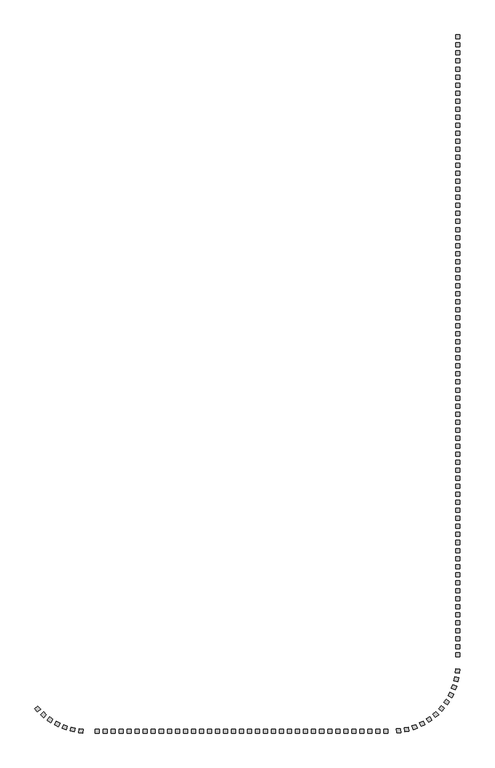
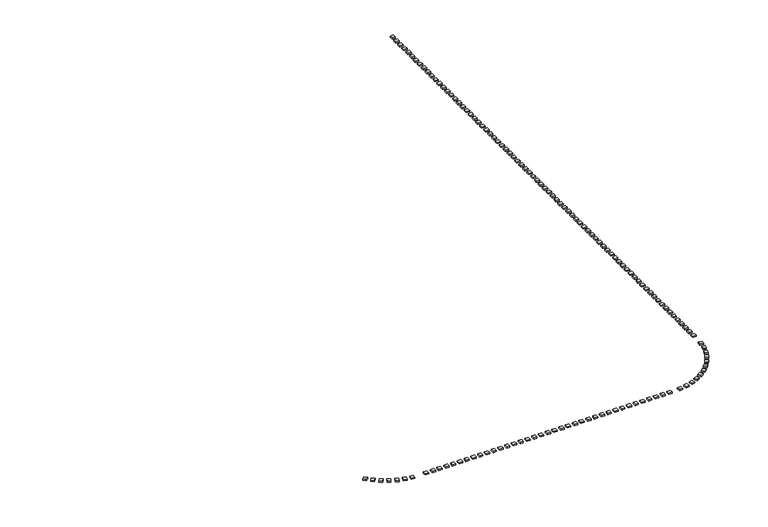
"""IFC4 building model written with IfcOpenShell, lengths in millimetres: railing geometry."""

from ifc_helpers import new_model, si_unit, origin, origin_with_axes, place, context, project, spatial, polyline, outline, extrude, source, transform, mapped, element, save


def railing_2f058ae3(model_context):
    return source(origin(), model_context, "Body", "SweptSolid", [
        extrude(outline(polyline([(-76155.2612553, -353702.5299212), (-75771.4895042, -353382.0314921), (-75450.9910751, -353765.8032432), (-75834.7628262, -354086.3016723), (-76155.2612553, -353702.5299212)])), origin_with_axes(), (0.0, 0.0, 1.0), 200.0),
        extrude(outline(polyline([(-75425.0709465, -354473.4120122), (-75084.2515665, -354107.5675778), (-74718.407132, -354448.3869578), (-75059.226512, -354814.2313922), (-75425.0709465, -354473.4120122)])), origin_with_axes(), (0.0, 0.0, 1.0), 200.0),
        extrude(outline(polyline([(-74604.4683063, -355147.2431426), (-74311.9196698, -354741.7615828), (-73906.43811, -355034.3102193), (-74198.9867465, -355439.7917791), (-74604.4683063, -355147.2431426)])), origin_with_axes(), (0.0, 0.0, 1.0), 200.0),
        extrude(outline(polyline([(-73706.2585644, -355713.5084029), (-73466.5457951, -355274.7171219), (-73027.7545142, -355514.4298912), (-73267.4672835, -355953.2211722), (-73706.2585644, -355713.5084029)])), origin_with_axes(), (0.0, 0.0, 1.0), 200.0),
        extrude(outline(polyline([(-72744.4579835, -356163.371413), (-72561.321719, -355698.1176021), (-72096.067908, -355881.2538666), (-72279.2041725, -356346.5076776), (-72744.4579835, -356163.371413)])), origin_with_axes(), (0.0, 0.0, 1.0), 200.0),
        extrude(outline(polyline([(-71734.0751399, -356489.8122113), (-71610.3731603, -356005.3560005), (-71125.9169494, -356129.0579801), (-71249.6189291, -356613.514191), (-71734.0751399, -356489.8122113)])), origin_with_axes(), (0.0, 0.0, 1.0), 200.0),
        extrude(outline(polyline([(-70690.87672, -356687.7367982), (-70628.5393533, -356191.6379646), (-70132.4405197, -356253.9753313), (-70194.7778864, -356750.0741649), (-70690.87672, -356687.7367982)])), origin_with_axes(), (0.0, 0.0, 1.0), 200.0),
        extrude(outline(polyline([(-68631.1414863, -356754.0566268), (-68631.1414863, -356254.0566268), (-68131.1414863, -356254.0566268), (-68131.1414863, -356754.0566268), (-68631.1414863, -356754.0566268)])), origin_with_axes(), (0.0, 0.0, 1.0), 200.0),
        extrude(outline(polyline([(-67631.1414863, -356754.0566268), (-67631.1414863, -356254.0566268), (-67131.1414863, -356254.0566268), (-67131.1414863, -356754.0566268), (-67631.1414863, -356754.0566268)])), origin_with_axes(), (0.0, 0.0, 1.0), 200.0),
        extrude(outline(polyline([(-66631.1414863, -356754.0566268), (-66631.1414863, -356254.0566268), (-66131.1414863, -356254.0566268), (-66131.1414863, -356754.0566268), (-66631.1414863, -356754.0566268)])), origin_with_axes(), (0.0, 0.0, 1.0), 200.0),
        extrude(outline(polyline([(-65631.1414863, -356754.0566268), (-65631.1414863, -356254.0566268), (-65131.1414863, -356254.0566268), (-65131.1414863, -356754.0566268), (-65631.1414863, -356754.0566268)])), origin_with_axes(), (0.0, 0.0, 1.0), 200.0),
        extrude(outline(polyline([(-64631.1414863, -356754.0566268), (-64631.1414863, -356254.0566268), (-64131.1414863, -356254.0566268), (-64131.1414863, -356754.0566268), (-64631.1414863, -356754.0566268)])), origin_with_axes(), (0.0, 0.0, 1.0), 200.0),
        extrude(outline(polyline([(-63631.1414863, -356754.0566268), (-63631.1414863, -356254.0566268), (-63131.1414863, -356254.0566268), (-63131.1414863, -356754.0566268), (-63631.1414863, -356754.0566268)])), origin_with_axes(), (0.0, 0.0, 1.0), 200.0),
        extrude(outline(polyline([(-62631.1414863, -356754.0566268), (-62631.1414863, -356254.0566268), (-62131.1414863, -356254.0566268), (-62131.1414863, -356754.0566268), (-62631.1414863, -356754.0566268)])), origin_with_axes(), (0.0, 0.0, 1.0), 200.0),
        extrude(outline(polyline([(-61631.1414863, -356754.0566268), (-61631.1414863, -356254.0566268), (-61131.1414863, -356254.0566268), (-61131.1414863, -356754.0566268), (-61631.1414863, -356754.0566268)])), origin_with_axes(), (0.0, 0.0, 1.0), 200.0),
        extrude(outline(polyline([(-60631.1414863, -356754.0566268), (-60631.1414863, -356254.0566268), (-60131.1414863, -356254.0566268), (-60131.1414863, -356754.0566268), (-60631.1414863, -356754.0566268)])), origin_with_axes(), (0.0, 0.0, 1.0), 200.0),
        extrude(outline(polyline([(-59631.1414863, -356754.0566268), (-59631.1414863, -356254.0566268), (-59131.1414863, -356254.0566268), (-59131.1414863, -356754.0566268), (-59631.1414863, -356754.0566268)])), origin_with_axes(), (0.0, 0.0, 1.0), 200.0),
        extrude(outline(polyline([(-58631.1414863, -356754.0566268), (-58631.1414863, -356254.0566268), (-58131.1414863, -356254.0566268), (-58131.1414863, -356754.0566268), (-58631.1414863, -356754.0566268)])), origin_with_axes(), (0.0, 0.0, 1.0), 200.0),
        extrude(outline(polyline([(-57631.1414863, -356754.0566268), (-57631.1414863, -356254.0566268), (-57131.1414863, -356254.0566268), (-57131.1414863, -356754.0566268), (-57631.1414863, -356754.0566268)])), origin_with_axes(), (0.0, 0.0, 1.0), 200.0),
        extrude(outline(polyline([(-56631.1414863, -356754.0566268), (-56631.1414863, -356254.0566268), (-56131.1414863, -356254.0566268), (-56131.1414863, -356754.0566268), (-56631.1414863, -356754.0566268)])), origin_with_axes(), (0.0, 0.0, 1.0), 200.0),
        extrude(outline(polyline([(-55631.1414863, -356754.0566268), (-55631.1414863, -356254.0566268), (-55131.1414863, -356254.0566268), (-55131.1414863, -356754.0566268), (-55631.1414863, -356754.0566268)])), origin_with_axes(), (0.0, 0.0, 1.0), 200.0),
        extrude(outline(polyline([(-54631.1414863, -356754.0566268), (-54631.1414863, -356254.0566268), (-54131.1414863, -356254.0566268), (-54131.1414863, -356754.0566268), (-54631.1414863, -356754.0566268)])), origin_with_axes(), (0.0, 0.0, 1.0), 200.0),
        extrude(outline(polyline([(-53631.1414863, -356754.0566268), (-53631.1414863, -356254.0566268), (-53131.1414863, -356254.0566268), (-53131.1414863, -356754.0566268), (-53631.1414863, -356754.0566268)])), origin_with_axes(), (0.0, 0.0, 1.0), 200.0),
        extrude(outline(polyline([(-52631.1414863, -356754.0566268), (-52631.1414863, -356254.0566268), (-52131.1414863, -356254.0566268), (-52131.1414863, -356754.0566268), (-52631.1414863, -356754.0566268)])), origin_with_axes(), (0.0, 0.0, 1.0), 200.0),
        extrude(outline(polyline([(-51631.1414863, -356754.0566268), (-51631.1414863, -356254.0566268), (-51131.1414863, -356254.0566268), (-51131.1414863, -356754.0566268), (-51631.1414863, -356754.0566268)])), origin_with_axes(), (0.0, 0.0, 1.0), 200.0),
        extrude(outline(polyline([(-50631.1414863, -356754.0566268), (-50631.1414863, -356254.0566268), (-50131.1414863, -356254.0566268), (-50131.1414863, -356754.0566268), (-50631.1414863, -356754.0566268)])), origin_with_axes(), (0.0, 0.0, 1.0), 200.0),
        extrude(outline(polyline([(-49631.1414863, -356754.0566268), (-49631.1414863, -356254.0566268), (-49131.1414863, -356254.0566268), (-49131.1414863, -356754.0566268), (-49631.1414863, -356754.0566268)])), origin_with_axes(), (0.0, 0.0, 1.0), 200.0),
        extrude(outline(polyline([(-48631.1414863, -356754.0566268), (-48631.1414863, -356254.0566268), (-48131.1414863, -356254.0566268), (-48131.1414863, -356754.0566268), (-48631.1414863, -356754.0566268)])), origin_with_axes(), (0.0, 0.0, 1.0), 200.0),
        extrude(outline(polyline([(-47631.1414863, -356754.0566268), (-47631.1414863, -356254.0566268), (-47131.1414863, -356254.0566268), (-47131.1414863, -356754.0566268), (-47631.1414863, -356754.0566268)])), origin_with_axes(), (0.0, 0.0, 1.0), 200.0),
        extrude(outline(polyline([(-46631.1414863, -356754.0566268), (-46631.1414863, -356254.0566268), (-46131.1414863, -356254.0566268), (-46131.1414863, -356754.0566268), (-46631.1414863, -356754.0566268)])), origin_with_axes(), (0.0, 0.0, 1.0), 200.0),
        extrude(outline(polyline([(-45631.1414863, -356754.0566268), (-45631.1414863, -356254.0566268), (-45131.1414863, -356254.0566268), (-45131.1414863, -356754.0566268), (-45631.1414863, -356754.0566268)])), origin_with_axes(), (0.0, 0.0, 1.0), 200.0),
        extrude(outline(polyline([(-44631.1414863, -356754.0566268), (-44631.1414863, -356254.0566268), (-44131.1414863, -356254.0566268), (-44131.1414863, -356754.0566268), (-44631.1414863, -356754.0566268)])), origin_with_axes(), (0.0, 0.0, 1.0), 200.0),
        extrude(outline(polyline([(-43631.1414863, -356754.0566268), (-43631.1414863, -356254.0566268), (-43131.1414863, -356254.0566268), (-43131.1414863, -356754.0566268), (-43631.1414863, -356754.0566268)])), origin_with_axes(), (0.0, 0.0, 1.0), 200.0),
        extrude(outline(polyline([(-42631.1414863, -356754.0566268), (-42631.1414863, -356254.0566268), (-42131.1414863, -356254.0566268), (-42131.1414863, -356754.0566268), (-42631.1414863, -356754.0566268)])), origin_with_axes(), (0.0, 0.0, 1.0), 200.0),
        extrude(outline(polyline([(-41631.1414863, -356754.0566268), (-41631.1414863, -356254.0566268), (-41131.1414863, -356254.0566268), (-41131.1414863, -356754.0566268), (-41631.1414863, -356754.0566268)])), origin_with_axes(), (0.0, 0.0, 1.0), 200.0),
        extrude(outline(polyline([(-40631.1414863, -356754.0566268), (-40631.1414863, -356254.0566268), (-40131.1414863, -356254.0566268), (-40131.1414863, -356754.0566268), (-40631.1414863, -356754.0566268)])), origin_with_axes(), (0.0, 0.0, 1.0), 200.0),
        extrude(outline(polyline([(-39631.1414863, -356754.0566268), (-39631.1414863, -356254.0566268), (-39131.1414863, -356254.0566268), (-39131.1414863, -356754.0566268), (-39631.1414863, -356754.0566268)])), origin_with_axes(), (0.0, 0.0, 1.0), 200.0),
        extrude(outline(polyline([(-38631.1414863, -356754.0566268), (-38631.1414863, -356254.0566268), (-38131.1414863, -356254.0566268), (-38131.1414863, -356754.0566268), (-38631.1414863, -356754.0566268)])), origin_with_axes(), (0.0, 0.0, 1.0), 200.0),
        extrude(outline(polyline([(-37631.1414863, -356754.0566268), (-37631.1414863, -356254.0566268), (-37131.1414863, -356254.0566268), (-37131.1414863, -356754.0566268), (-37631.1414863, -356754.0566268)])), origin_with_axes(), (0.0, 0.0, 1.0), 200.0),
        extrude(outline(polyline([(-36631.1414863, -356754.0566268), (-36631.1414863, -356254.0566268), (-36131.1414863, -356254.0566268), (-36131.1414863, -356754.0566268), (-36631.1414863, -356754.0566268)])), origin_with_axes(), (0.0, 0.0, 1.0), 200.0),
        extrude(outline(polyline([(-35631.1414863, -356754.0566268), (-35631.1414863, -356254.0566268), (-35131.1414863, -356254.0566268), (-35131.1414863, -356754.0566268), (-35631.1414863, -356754.0566268)])), origin_with_axes(), (0.0, 0.0, 1.0), 200.0),
        extrude(outline(polyline([(-34631.1414863, -356754.0566268), (-34631.1414863, -356254.0566268), (-34131.1414863, -356254.0566268), (-34131.1414863, -356754.0566268), (-34631.1414863, -356754.0566268)])), origin_with_axes(), (0.0, 0.0, 1.0), 200.0),
        extrude(outline(polyline([(-33631.1414863, -356754.0566268), (-33631.1414863, -356254.0566268), (-33131.1414863, -356254.0566268), (-33131.1414863, -356754.0566268), (-33631.1414863, -356754.0566268)])), origin_with_axes(), (0.0, 0.0, 1.0), 200.0),
        extrude(outline(polyline([(-32631.1414863, -356754.0566268), (-32631.1414863, -356254.0566268), (-32131.1414863, -356254.0566268), (-32131.1414863, -356754.0566268), (-32631.1414863, -356754.0566268)])), origin_with_axes(), (0.0, 0.0, 1.0), 200.0),
        extrude(outline(polyline([(-31029.8752721, -356732.7640129), (-31065.2438729, -356234.0165196), (-30566.4963796, -356198.6479188), (-30531.1277788, -356697.3954121), (-31029.8752721, -356732.7640129)])), origin_with_axes(), (0.0, 0.0, 1.0), 200.0),
        extrude(outline(polyline([(-29977.4859684, -356591.6476115), (-30074.7598224, -356101.201083), (-29584.3132938, -356003.927229), (-29487.0394398, -356494.3737575), (-29977.4859684, -356591.6476115)])), origin_with_axes(), (0.0, 0.0, 1.0), 200.0),
        extrude(outline(polyline([(-28950.9014059, -356320.4258913), (-29108.5625871, -355845.9335816), (-28634.0702774, -355688.2724004), (-28476.4090962, -356162.7647101), (-28950.9014059, -356320.4258913)])), origin_with_axes(), (0.0, 0.0, 1.0), 200.0),
        extrude(outline(polyline([(-27966.1410935, -355923.3311766), (-28181.7293519, -355472.1973796), (-27730.5955548, -355256.6091212), (-27515.0072964, -355707.7429182), (-27966.1410935, -355923.3311766)])), origin_with_axes(), (0.0, 0.0, 1.0), 200.0),
        extrude(outline(polyline([(-27038.5718864, -355406.5599977), (-27308.7230393, -354985.8245052), (-26887.9875469, -354715.6733523), (-26617.836394, -355136.4088447), (-27038.5718864, -355406.5599977)])), origin_with_axes(), (0.0, 0.0, 1.0), 200.0),
        extrude(outline(polyline([(-26182.6681919, -354778.1763958), (-26503.166621, -354394.4046447), (-26119.3948698, -354073.9062156), (-25798.8964408, -354457.6779667), (-26182.6681919, -354778.1763958)])), origin_with_axes(), (0.0, 0.0, 1.0), 200.0),
        extrude(outline(polyline([(-25411.7861008, -354047.986087), (-25777.6305353, -353707.166707), (-25436.8111553, -353341.3222725), (-25070.9667208, -353682.1416525), (-25411.7861008, -354047.986087)])), origin_with_axes(), (0.0, 0.0, 1.0), 200.0),
        extrude(outline(polyline([(-24737.9549705, -353227.3834468), (-25143.4365302, -352934.8348103), (-24850.8878938, -352529.3532506), (-24445.406334, -352821.901887), (-24737.9549705, -353227.3834468)])), origin_with_axes(), (0.0, 0.0, 1.0), 200.0),
        extrude(outline(polyline([(-24171.6897102, -352329.1737049), (-24610.4809911, -352089.4609356), (-24370.7682218, -351650.6696547), (-23931.9769409, -351890.382424), (-24171.6897102, -352329.1737049)])), origin_with_axes(), (0.0, 0.0, 1.0), 200.0),
        extrude(outline(polyline([(-23721.8267, -351367.373124), (-24187.080511, -351184.2368595), (-24003.9442464, -350718.9830485), (-23538.6904355, -350902.1193131), (-23721.8267, -351367.373124)])), origin_with_axes(), (0.0, 0.0, 1.0), 200.0),
        extrude(outline(polyline([(-23395.3859017, -350356.9902804), (-23879.8421126, -350233.2883008), (-23756.140133, -349748.83209), (-23271.6839221, -349872.5340696), (-23395.3859017, -350356.9902804)])), origin_with_axes(), (0.0, 0.0, 1.0), 200.0),
        extrude(outline(polyline([(-23197.4613148, -349313.7918606), (-23693.5601484, -349251.4544939), (-23631.2227817, -348755.3556603), (-23135.1239481, -348817.6930269), (-23197.4613148, -349313.7918606)])), origin_with_axes(), (0.0, 0.0, 1.0), 200.0),
        extrude(outline(polyline([(-23131.1414863, -347254.0566268), (-23631.1414863, -347254.0566268), (-23631.1414863, -346754.0566268), (-23131.1414863, -346754.0566268), (-23131.1414863, -347254.0566268)])), origin_with_axes(), (0.0, 0.0, 1.0), 200.0),
        extrude(outline(polyline([(-23131.1414863, -346254.0566268), (-23631.1414863, -346254.0566268), (-23631.1414863, -345754.0566268), (-23131.1414863, -345754.0566268), (-23131.1414863, -346254.0566268)])), origin_with_axes(), (0.0, 0.0, 1.0), 200.0),
        extrude(outline(polyline([(-23131.1414863, -345254.0566268), (-23631.1414863, -345254.0566268), (-23631.1414863, -344754.0566268), (-23131.1414863, -344754.0566268), (-23131.1414863, -345254.0566268)])), origin_with_axes(), (0.0, 0.0, 1.0), 200.0),
        extrude(outline(polyline([(-23131.1414863, -344254.0566268), (-23631.1414863, -344254.0566268), (-23631.1414863, -343754.0566268), (-23131.1414863, -343754.0566268), (-23131.1414863, -344254.0566268)])), origin_with_axes(), (0.0, 0.0, 1.0), 200.0),
        extrude(outline(polyline([(-23131.1414863, -343254.0566268), (-23631.1414863, -343254.0566268), (-23631.1414863, -342754.0566268), (-23131.1414863, -342754.0566268), (-23131.1414863, -343254.0566268)])), origin_with_axes(), (0.0, 0.0, 1.0), 200.0),
        extrude(outline(polyline([(-23131.1414863, -342254.0566268), (-23631.1414863, -342254.0566268), (-23631.1414863, -341754.0566268), (-23131.1414863, -341754.0566268), (-23131.1414863, -342254.0566268)])), origin_with_axes(), (0.0, 0.0, 1.0), 200.0),
        extrude(outline(polyline([(-23131.1414863, -341254.0566268), (-23631.1414863, -341254.0566268), (-23631.1414863, -340754.0566268), (-23131.1414863, -340754.0566268), (-23131.1414863, -341254.0566268)])), origin_with_axes(), (0.0, 0.0, 1.0), 200.0),
        extrude(outline(polyline([(-23131.1414863, -340254.0566268), (-23631.1414863, -340254.0566268), (-23631.1414863, -339754.0566268), (-23131.1414863, -339754.0566268), (-23131.1414863, -340254.0566268)])), origin_with_axes(), (0.0, 0.0, 1.0), 200.0),
        extrude(outline(polyline([(-23131.1414863, -339254.0566268), (-23631.1414863, -339254.0566268), (-23631.1414863, -338754.0566268), (-23131.1414863, -338754.0566268), (-23131.1414863, -339254.0566268)])), origin_with_axes(), (0.0, 0.0, 1.0), 200.0),
        extrude(outline(polyline([(-23131.1414863, -338254.0566268), (-23631.1414863, -338254.0566268), (-23631.1414863, -337754.0566268), (-23131.1414863, -337754.0566268), (-23131.1414863, -338254.0566268)])), origin_with_axes(), (0.0, 0.0, 1.0), 200.0),
        extrude(outline(polyline([(-23131.1414863, -337254.0566268), (-23631.1414863, -337254.0566268), (-23631.1414863, -336754.0566268), (-23131.1414863, -336754.0566268), (-23131.1414863, -337254.0566268)])), origin_with_axes(), (0.0, 0.0, 1.0), 200.0),
        extrude(outline(polyline([(-23131.1414863, -336254.0566268), (-23631.1414863, -336254.0566268), (-23631.1414863, -335754.0566268), (-23131.1414863, -335754.0566268), (-23131.1414863, -336254.0566268)])), origin_with_axes(), (0.0, 0.0, 1.0), 200.0),
        extrude(outline(polyline([(-23131.1414863, -335254.0566268), (-23631.1414863, -335254.0566268), (-23631.1414863, -334754.0566268), (-23131.1414863, -334754.0566268), (-23131.1414863, -335254.0566268)])), origin_with_axes(), (0.0, 0.0, 1.0), 200.0),
        extrude(outline(polyline([(-23131.1414863, -334254.0566268), (-23631.1414863, -334254.0566268), (-23631.1414863, -333754.0566268), (-23131.1414863, -333754.0566268), (-23131.1414863, -334254.0566268)])), origin_with_axes(), (0.0, 0.0, 1.0), 200.0),
        extrude(outline(polyline([(-23131.1414863, -333254.0566268), (-23631.1414863, -333254.0566268), (-23631.1414863, -332754.0566268), (-23131.1414863, -332754.0566268), (-23131.1414863, -333254.0566268)])), origin_with_axes(), (0.0, 0.0, 1.0), 200.0),
        extrude(outline(polyline([(-23131.1414863, -332254.0566268), (-23631.1414863, -332254.0566268), (-23631.1414863, -331754.0566268), (-23131.1414863, -331754.0566268), (-23131.1414863, -332254.0566268)])), origin_with_axes(), (0.0, 0.0, 1.0), 200.0),
        extrude(outline(polyline([(-23131.1414863, -331254.0566268), (-23631.1414863, -331254.0566268), (-23631.1414863, -330754.0566268), (-23131.1414863, -330754.0566268), (-23131.1414863, -331254.0566268)])), origin_with_axes(), (0.0, 0.0, 1.0), 200.0),
        extrude(outline(polyline([(-23131.1414863, -330254.0566268), (-23631.1414863, -330254.0566268), (-23631.1414863, -329754.0566268), (-23131.1414863, -329754.0566268), (-23131.1414863, -330254.0566268)])), origin_with_axes(), (0.0, 0.0, 1.0), 200.0),
        extrude(outline(polyline([(-23131.1414863, -329254.0566268), (-23631.1414863, -329254.0566268), (-23631.1414863, -328754.0566268), (-23131.1414863, -328754.0566268), (-23131.1414863, -329254.0566268)])), origin_with_axes(), (0.0, 0.0, 1.0), 200.0),
        extrude(outline(polyline([(-23131.1414863, -328254.0566268), (-23631.1414863, -328254.0566268), (-23631.1414863, -327754.0566268), (-23131.1414863, -327754.0566268), (-23131.1414863, -328254.0566268)])), origin_with_axes(), (0.0, 0.0, 1.0), 200.0),
        extrude(outline(polyline([(-23131.1414863, -327254.0566268), (-23631.1414863, -327254.0566268), (-23631.1414863, -326754.0566268), (-23131.1414863, -326754.0566268), (-23131.1414863, -327254.0566268)])), origin_with_axes(), (0.0, 0.0, 1.0), 200.0),
        extrude(outline(polyline([(-23131.1414863, -326254.0566268), (-23631.1414863, -326254.0566268), (-23631.1414863, -325754.0566268), (-23131.1414863, -325754.0566268), (-23131.1414863, -326254.0566268)])), origin_with_axes(), (0.0, 0.0, 1.0), 200.0),
        extrude(outline(polyline([(-23131.1414863, -325254.0566268), (-23631.1414863, -325254.0566268), (-23631.1414863, -324754.0566268), (-23131.1414863, -324754.0566268), (-23131.1414863, -325254.0566268)])), origin_with_axes(), (0.0, 0.0, 1.0), 200.0),
        extrude(outline(polyline([(-23131.1414863, -324254.0566268), (-23631.1414863, -324254.0566268), (-23631.1414863, -323754.0566268), (-23131.1414863, -323754.0566268), (-23131.1414863, -324254.0566268)])), origin_with_axes(), (0.0, 0.0, 1.0), 200.0),
        extrude(outline(polyline([(-23131.1414863, -323254.0566268), (-23631.1414863, -323254.0566268), (-23631.1414863, -322754.0566268), (-23131.1414863, -322754.0566268), (-23131.1414863, -323254.0566268)])), origin_with_axes(), (0.0, 0.0, 1.0), 200.0),
        extrude(outline(polyline([(-23131.1414863, -322254.0566268), (-23631.1414863, -322254.0566268), (-23631.1414863, -321754.0566268), (-23131.1414863, -321754.0566268), (-23131.1414863, -322254.0566268)])), origin_with_axes(), (0.0, 0.0, 1.0), 200.0),
        extrude(outline(polyline([(-23131.1414863, -321254.0566268), (-23631.1414863, -321254.0566268), (-23631.1414863, -320754.0566268), (-23131.1414863, -320754.0566268), (-23131.1414863, -321254.0566268)])), origin_with_axes(), (0.0, 0.0, 1.0), 200.0),
        extrude(outline(polyline([(-23131.1414863, -320254.0566268), (-23631.1414863, -320254.0566268), (-23631.1414863, -319754.0566268), (-23131.1414863, -319754.0566268), (-23131.1414863, -320254.0566268)])), origin_with_axes(), (0.0, 0.0, 1.0), 200.0),
        extrude(outline(polyline([(-23131.1414863, -319254.0566268), (-23631.1414863, -319254.0566268), (-23631.1414863, -318754.0566268), (-23131.1414863, -318754.0566268), (-23131.1414863, -319254.0566268)])), origin_with_axes(), (0.0, 0.0, 1.0), 200.0),
        extrude(outline(polyline([(-23131.1414863, -318254.0566268), (-23631.1414863, -318254.0566268), (-23631.1414863, -317754.0566268), (-23131.1414863, -317754.0566268), (-23131.1414863, -318254.0566268)])), origin_with_axes(), (0.0, 0.0, 1.0), 200.0),
        extrude(outline(polyline([(-23131.1414863, -317254.0566268), (-23631.1414863, -317254.0566268), (-23631.1414863, -316754.0566268), (-23131.1414863, -316754.0566268), (-23131.1414863, -317254.0566268)])), origin_with_axes(), (0.0, 0.0, 1.0), 200.0),
        extrude(outline(polyline([(-23131.1414863, -316254.0566268), (-23631.1414863, -316254.0566268), (-23631.1414863, -315754.0566268), (-23131.1414863, -315754.0566268), (-23131.1414863, -316254.0566268)])), origin_with_axes(), (0.0, 0.0, 1.0), 200.0),
        extrude(outline(polyline([(-23131.1414863, -315254.0566268), (-23631.1414863, -315254.0566268), (-23631.1414863, -314754.0566268), (-23131.1414863, -314754.0566268), (-23131.1414863, -315254.0566268)])), origin_with_axes(), (0.0, 0.0, 1.0), 200.0),
        extrude(outline(polyline([(-23131.1414863, -314254.0566268), (-23631.1414863, -314254.0566268), (-23631.1414863, -313754.0566268), (-23131.1414863, -313754.0566268), (-23131.1414863, -314254.0566268)])), origin_with_axes(), (0.0, 0.0, 1.0), 200.0),
        extrude(outline(polyline([(-23131.1414863, -313254.0566268), (-23631.1414863, -313254.0566268), (-23631.1414863, -312754.0566268), (-23131.1414863, -312754.0566268), (-23131.1414863, -313254.0566268)])), origin_with_axes(), (0.0, 0.0, 1.0), 200.0),
        extrude(outline(polyline([(-23131.1414863, -312254.0566268), (-23631.1414863, -312254.0566268), (-23631.1414863, -311754.0566268), (-23131.1414863, -311754.0566268), (-23131.1414863, -312254.0566268)])), origin_with_axes(), (0.0, 0.0, 1.0), 200.0),
        extrude(outline(polyline([(-23131.1414863, -311254.0566268), (-23631.1414863, -311254.0566268), (-23631.1414863, -310754.0566268), (-23131.1414863, -310754.0566268), (-23131.1414863, -311254.0566268)])), origin_with_axes(), (0.0, 0.0, 1.0), 200.0),
        extrude(outline(polyline([(-23131.1414863, -310254.0566268), (-23631.1414863, -310254.0566268), (-23631.1414863, -309754.0566268), (-23131.1414863, -309754.0566268), (-23131.1414863, -310254.0566268)])), origin_with_axes(), (0.0, 0.0, 1.0), 200.0),
        extrude(outline(polyline([(-23131.1414863, -309254.0566268), (-23631.1414863, -309254.0566268), (-23631.1414863, -308754.0566268), (-23131.1414863, -308754.0566268), (-23131.1414863, -309254.0566268)])), origin_with_axes(), (0.0, 0.0, 1.0), 200.0),
        extrude(outline(polyline([(-23131.1414863, -308254.0566268), (-23631.1414863, -308254.0566268), (-23631.1414863, -307754.0566268), (-23131.1414863, -307754.0566268), (-23131.1414863, -308254.0566268)])), origin_with_axes(), (0.0, 0.0, 1.0), 200.0),
        extrude(outline(polyline([(-23131.1414863, -307254.0566268), (-23631.1414863, -307254.0566268), (-23631.1414863, -306754.0566268), (-23131.1414863, -306754.0566268), (-23131.1414863, -307254.0566268)])), origin_with_axes(), (0.0, 0.0, 1.0), 200.0),
        extrude(outline(polyline([(-23131.1414863, -306254.0566268), (-23631.1414863, -306254.0566268), (-23631.1414863, -305754.0566268), (-23131.1414863, -305754.0566268), (-23131.1414863, -306254.0566268)])), origin_with_axes(), (0.0, 0.0, 1.0), 200.0),
        extrude(outline(polyline([(-23131.1414863, -305254.0566268), (-23631.1414863, -305254.0566268), (-23631.1414863, -304754.0566268), (-23131.1414863, -304754.0566268), (-23131.1414863, -305254.0566268)])), origin_with_axes(), (0.0, 0.0, 1.0), 200.0),
        extrude(outline(polyline([(-23131.1414863, -304254.0566268), (-23631.1414863, -304254.0566268), (-23631.1414863, -303754.0566268), (-23131.1414863, -303754.0566268), (-23131.1414863, -304254.0566268)])), origin_with_axes(), (0.0, 0.0, 1.0), 200.0),
        extrude(outline(polyline([(-23131.1414863, -303254.0566268), (-23631.1414863, -303254.0566268), (-23631.1414863, -302754.0566268), (-23131.1414863, -302754.0566268), (-23131.1414863, -303254.0566268)])), origin_with_axes(), (0.0, 0.0, 1.0), 200.0),
        extrude(outline(polyline([(-23131.1414863, -302254.0566268), (-23631.1414863, -302254.0566268), (-23631.1414863, -301754.0566268), (-23131.1414863, -301754.0566268), (-23131.1414863, -302254.0566268)])), origin_with_axes(), (0.0, 0.0, 1.0), 200.0),
        extrude(outline(polyline([(-23131.1414863, -301254.0566268), (-23631.1414863, -301254.0566268), (-23631.1414863, -300754.0566268), (-23131.1414863, -300754.0566268), (-23131.1414863, -301254.0566268)])), origin_with_axes(), (0.0, 0.0, 1.0), 200.0),
        extrude(outline(polyline([(-23131.1414863, -300254.0566268), (-23631.1414863, -300254.0566268), (-23631.1414863, -299754.0566268), (-23131.1414863, -299754.0566268), (-23131.1414863, -300254.0566268)])), origin_with_axes(), (0.0, 0.0, 1.0), 200.0),
        extrude(outline(polyline([(-23131.1414863, -299254.0566268), (-23631.1414863, -299254.0566268), (-23631.1414863, -298754.0566268), (-23131.1414863, -298754.0566268), (-23131.1414863, -299254.0566268)])), origin_with_axes(), (0.0, 0.0, 1.0), 200.0),
        extrude(outline(polyline([(-23131.1414863, -298254.0566268), (-23631.1414863, -298254.0566268), (-23631.1414863, -297754.0566268), (-23131.1414863, -297754.0566268), (-23131.1414863, -298254.0566268)])), origin_with_axes(), (0.0, 0.0, 1.0), 200.0),
        extrude(outline(polyline([(-23131.1414863, -297254.0566268), (-23631.1414863, -297254.0566268), (-23631.1414863, -296754.0566268), (-23131.1414863, -296754.0566268), (-23131.1414863, -297254.0566268)])), origin_with_axes(), (0.0, 0.0, 1.0), 200.0),
        extrude(outline(polyline([(-23131.1414863, -296254.0566268), (-23631.1414863, -296254.0566268), (-23631.1414863, -295754.0566268), (-23131.1414863, -295754.0566268), (-23131.1414863, -296254.0566268)])), origin_with_axes(), (0.0, 0.0, 1.0), 200.0),
        extrude(outline(polyline([(-23131.1414863, -295254.0566268), (-23631.1414863, -295254.0566268), (-23631.1414863, -294754.0566268), (-23131.1414863, -294754.0566268), (-23131.1414863, -295254.0566268)])), origin_with_axes(), (0.0, 0.0, 1.0), 200.0),
        extrude(outline(polyline([(-23131.1414863, -294254.0566268), (-23631.1414863, -294254.0566268), (-23631.1414863, -293754.0566268), (-23131.1414863, -293754.0566268), (-23131.1414863, -294254.0566268)])), origin_with_axes(), (0.0, 0.0, 1.0), 200.0),
        extrude(outline(polyline([(-23131.1414863, -293254.0566268), (-23631.1414863, -293254.0566268), (-23631.1414863, -292754.0566268), (-23131.1414863, -292754.0566268), (-23131.1414863, -293254.0566268)])), origin_with_axes(), (0.0, 0.0, 1.0), 200.0),
        extrude(outline(polyline([(-23131.1414863, -292254.0566268), (-23631.1414863, -292254.0566268), (-23631.1414863, -291754.0566268), (-23131.1414863, -291754.0566268), (-23131.1414863, -292254.0566268)])), origin_with_axes(), (0.0, 0.0, 1.0), 200.0),
        extrude(outline(polyline([(-23131.1414863, -291254.0566268), (-23631.1414863, -291254.0566268), (-23631.1414863, -290754.0566268), (-23131.1414863, -290754.0566268), (-23131.1414863, -291254.0566268)])), origin_with_axes(), (0.0, 0.0, 1.0), 200.0),
        extrude(outline(polyline([(-23131.1414863, -290254.0566268), (-23631.1414863, -290254.0566268), (-23631.1414863, -289754.0566268), (-23131.1414863, -289754.0566268), (-23131.1414863, -290254.0566268)])), origin_with_axes(), (0.0, 0.0, 1.0), 200.0),
        extrude(outline(polyline([(-23131.1414863, -289254.0566268), (-23631.1414863, -289254.0566268), (-23631.1414863, -288754.0566268), (-23131.1414863, -288754.0566268), (-23131.1414863, -289254.0566268)])), origin_with_axes(), (0.0, 0.0, 1.0), 200.0),
        extrude(outline(polyline([(-23131.1414863, -288254.0566268), (-23631.1414863, -288254.0566268), (-23631.1414863, -287754.0566268), (-23131.1414863, -287754.0566268), (-23131.1414863, -288254.0566268)])), origin_with_axes(), (0.0, 0.0, 1.0), 200.0),
        extrude(outline(polyline([(-23131.1414863, -287254.0566268), (-23631.1414863, -287254.0566268), (-23631.1414863, -286754.0566268), (-23131.1414863, -286754.0566268), (-23131.1414863, -287254.0566268)])), origin_with_axes(), (0.0, 0.0, 1.0), 200.0),
        extrude(outline(polyline([(-23131.1414863, -286254.0566268), (-23631.1414863, -286254.0566268), (-23631.1414863, -285754.0566268), (-23131.1414863, -285754.0566268), (-23131.1414863, -286254.0566268)])), origin_with_axes(), (0.0, 0.0, 1.0), 200.0),
        extrude(outline(polyline([(-23131.1414863, -285254.0566268), (-23631.1414863, -285254.0566268), (-23631.1414863, -284754.0566268), (-23131.1414863, -284754.0566268), (-23131.1414863, -285254.0566268)])), origin_with_axes(), (0.0, 0.0, 1.0), 200.0),
        extrude(outline(polyline([(-23131.1414863, -284254.0566268), (-23631.1414863, -284254.0566268), (-23631.1414863, -283754.0566268), (-23131.1414863, -283754.0566268), (-23131.1414863, -284254.0566268)])), origin_with_axes(), (0.0, 0.0, 1.0), 200.0),
        extrude(outline(polyline([(-23131.1414863, -283254.0566268), (-23631.1414863, -283254.0566268), (-23631.1414863, -282754.0566268), (-23131.1414863, -282754.0566268), (-23131.1414863, -283254.0566268)])), origin_with_axes(), (0.0, 0.0, 1.0), 200.0),
        extrude(outline(polyline([(-23131.1414863, -282254.0566268), (-23631.1414863, -282254.0566268), (-23631.1414863, -281754.0566268), (-23131.1414863, -281754.0566268), (-23131.1414863, -282254.0566268)])), origin_with_axes(), (0.0, 0.0, 1.0), 200.0),
        extrude(outline(polyline([(-23131.1414863, -281254.0566268), (-23631.1414863, -281254.0566268), (-23631.1414863, -280754.0566268), (-23131.1414863, -280754.0566268), (-23131.1414863, -281254.0566268)])), origin_with_axes(), (0.0, 0.0, 1.0), 200.0),
        extrude(outline(polyline([(-23131.1414863, -280254.0566268), (-23631.1414863, -280254.0566268), (-23631.1414863, -279754.0566268), (-23131.1414863, -279754.0566268), (-23131.1414863, -280254.0566268)])), origin_with_axes(), (0.0, 0.0, 1.0), 200.0),
        extrude(outline(polyline([(-23131.1414863, -279254.0566268), (-23631.1414863, -279254.0566268), (-23631.1414863, -278754.0566268), (-23131.1414863, -278754.0566268), (-23131.1414863, -279254.0566268)])), origin_with_axes(), (0.0, 0.0, 1.0), 200.0),
        extrude(outline(polyline([(-23131.1414863, -278254.0566268), (-23631.1414863, -278254.0566268), (-23631.1414863, -277754.0566268), (-23131.1414863, -277754.0566268), (-23131.1414863, -278254.0566268)])), origin_with_axes(), (0.0, 0.0, 1.0), 200.0),
        extrude(outline(polyline([(-23131.1414863, -277254.0566268), (-23631.1414863, -277254.0566268), (-23631.1414863, -276754.0566268), (-23131.1414863, -276754.0566268), (-23131.1414863, -277254.0566268)])), origin_with_axes(), (0.0, 0.0, 1.0), 200.0),
        extrude(outline(polyline([(-23131.1414863, -276254.0566268), (-23631.1414863, -276254.0566268), (-23631.1414863, -275754.0566268), (-23131.1414863, -275754.0566268), (-23131.1414863, -276254.0566268)])), origin_with_axes(), (0.0, 0.0, 1.0), 200.0),
        extrude(outline(polyline([(-23131.1414863, -275254.0566268), (-23631.1414863, -275254.0566268), (-23631.1414863, -274754.0566268), (-23131.1414863, -274754.0566268), (-23131.1414863, -275254.0566268)])), origin_with_axes(), (0.0, 0.0, 1.0), 200.0),
        extrude(outline(polyline([(-23131.1414863, -274254.0566268), (-23631.1414863, -274254.0566268), (-23631.1414863, -273754.0566268), (-23131.1414863, -273754.0566268), (-23131.1414863, -274254.0566268)])), origin_with_axes(), (0.0, 0.0, 1.0), 200.0),
        extrude(outline(polyline([(-23131.1414863, -273254.0566268), (-23631.1414863, -273254.0566268), (-23631.1414863, -272754.0566268), (-23131.1414863, -272754.0566268), (-23131.1414863, -273254.0566268)])), origin_with_axes(), (0.0, 0.0, 1.0), 200.0),
        extrude(outline(polyline([(-23131.1414863, -272254.0566268), (-23631.1414863, -272254.0566268), (-23631.1414863, -271754.0566268), (-23131.1414863, -271754.0566268), (-23131.1414863, -272254.0566268)])), origin_with_axes(), (0.0, 0.0, 1.0), 200.0),
        extrude(outline(polyline([(-23131.1414863, -271254.0566268), (-23631.1414863, -271254.0566268), (-23631.1414863, -270754.0566268), (-23131.1414863, -270754.0566268), (-23131.1414863, -271254.0566268)])), origin_with_axes(), (0.0, 0.0, 1.0), 200.0),
        extrude(outline(polyline([(-23131.1414863, -270254.0566268), (-23631.1414863, -270254.0566268), (-23631.1414863, -269754.0566268), (-23131.1414863, -269754.0566268), (-23131.1414863, -270254.0566268)])), origin_with_axes(), (0.0, 0.0, 1.0), 200.0),
    ])


if __name__ == "__main__":
    model = new_model("IFC4")
    model_context = context("Model", 3, world=origin())
    ifc_project = project(units=[si_unit("LENGTHUNIT", "METRE", prefix="MILLI")], contexts=[model_context])
    site = spatial("IfcSite", under=ifc_project)
    building = spatial("IfcBuilding", under=site)
    placement = place(None, origin())
    railing_shape = railing_2f058ae3(model_context)
    element("IfcRailing", 1, at=placement, inside=building, context=model_context, shape_type="MappedRepresentation", body=[
        mapped(railing_shape, transform((0.0, 0.0, 0.0), x_axis=(1.0, 0.0, 0.0), y_axis=(0.0, 1.0, 0.0), z_axis=(0.0, 0.0, 1.0))),
    ])
    save(model, "model.ifc")
